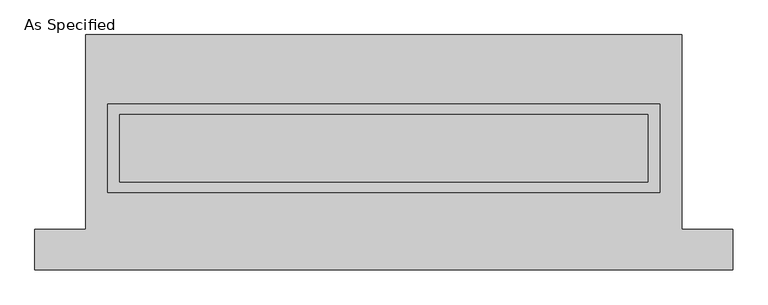
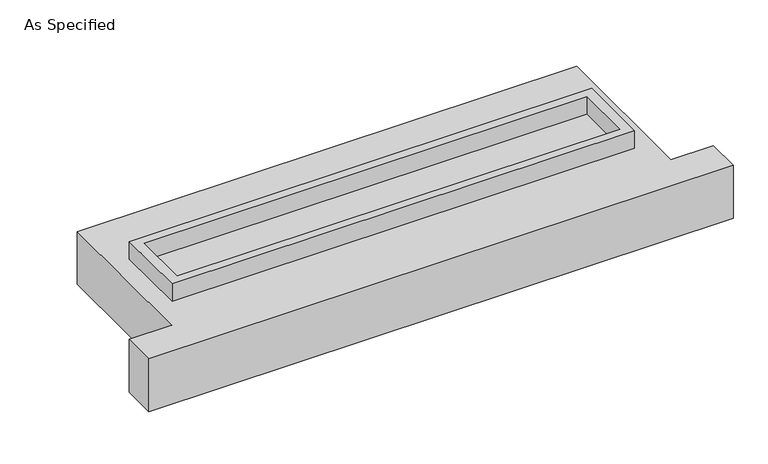
"""IFC4 building model written with IfcOpenShell, lengths in millimetres: proxy geometry, As Specified."""

from ifc_helpers import new_model, si_unit, frame, origin, place, context, project, spatial, polyline, outline, extrude, source, transform, mapped, element, save


def as_specified_e2a5392f(model_context):
    return source(origin(), model_context, "Body", "SweptSolid", [
        extrude(outline(polyline([(2070.1, 361.95), (2070.1, -298.45), (-2070.1, -298.45), (-2070.1, 361.95), (2070.1, 361.95)]), holes=[polyline([(1981.2, 285.75), (-1981.2, 285.75), (-1981.2, -222.25), (1981.2, -222.25), (1981.2, 285.75)])]), frame((0.0, 0.0, -688.975), z_axis=(0.0, 0.0, 1.0), x_axis=(1.0, 0.0, 0.0)), (0.0, 0.0, 1.0), 165.1),
        extrude(outline(polyline([(2070.1, 361.95), (2070.1, -298.45), (-2070.1, -298.45), (-2070.1, 361.95), (2070.1, 361.95)]), holes=[polyline([(1981.2, 285.75), (-1981.2, 285.75), (-1981.2, -222.25), (1981.2, -222.25), (1981.2, 285.75)])]), frame((0.0, 0.0, -25.4), z_axis=(0.0, 0.0, 1.0), x_axis=(1.0, 0.0, 0.0)), (0.0, 0.0, 1.0), 165.1),
        extrude(outline(polyline([(1981.2, 285.75), (1981.2, -222.25), (-1981.2, -222.25), (-1981.2, 285.75), (1981.2, 285.75)])), frame((0.0, 0.0, -523.875), z_axis=(0.0, 0.0, 1.0), x_axis=(1.0, 0.0, 0.0)), (0.0, 0.0, 1.0), 4.9609375),
        extrude(outline(polyline([(1981.2, 285.75), (1981.2, -222.25), (-1981.2, -222.25), (-1981.2, 285.75), (1981.2, 285.75)])), frame((0.0, 0.0, -30.3609375), z_axis=(0.0, 0.0, 1.0), x_axis=(1.0, 0.0, 0.0)), (0.0, 0.0, 1.0), 4.9609375),
        extrude(outline(polyline([(-2235.2, 882.65), (2235.2, 882.65), (2235.2, -577.85), (2616.2, -577.85), (2616.2, -882.65), (-2616.2, -882.65), (-2616.2, -577.85), (-2235.2, -577.85), (-2235.2, 882.65)]), holes=[polyline([(-2070.1, 361.95), (-2070.1, -298.45), (2070.1, -298.45), (2070.1, 361.95), (-2070.1, 361.95)])]), frame((0.0, 0.0, -523.875), z_axis=(0.0, 0.0, 1.0), x_axis=(1.0, 0.0, 0.0)), (0.0, 0.0, 1.0), 498.475),
    ])


if __name__ == "__main__":
    model = new_model("IFC4")
    model_context = context("Model", 3, world=origin())
    ifc_project = project(units=[si_unit("LENGTHUNIT", "METRE", prefix="MILLI")], contexts=[model_context])
    site = spatial("IfcSite", under=ifc_project)
    building = spatial("IfcBuilding", under=site)
    placement = place(None, origin())
    as_specified_shape = as_specified_e2a5392f(model_context)
    element("IfcBuildingElementProxy", 1, Name="As Specified", ObjectType="As Specified", at=placement, inside=building, context=model_context, shape_type="MappedRepresentation", body=[
        mapped(as_specified_shape, transform((0.0, 0.0, 0.0), x_axis=(1.0, 0.0, 0.0), y_axis=(0.0, 1.0, 0.0), z_axis=(0.0, 0.0, 1.0))),
    ])
    save(model, "model.ifc")
